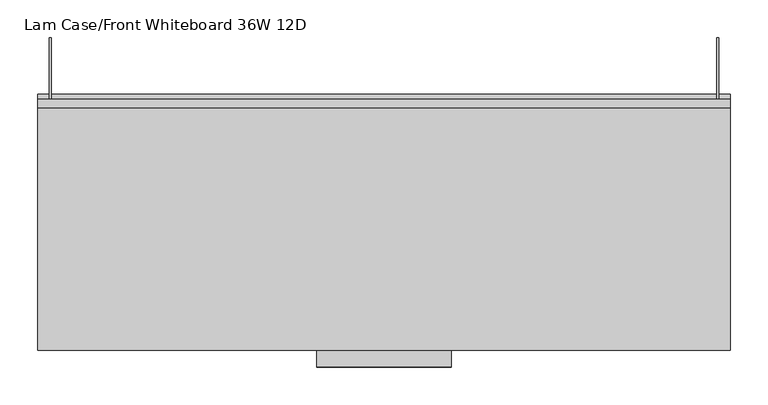
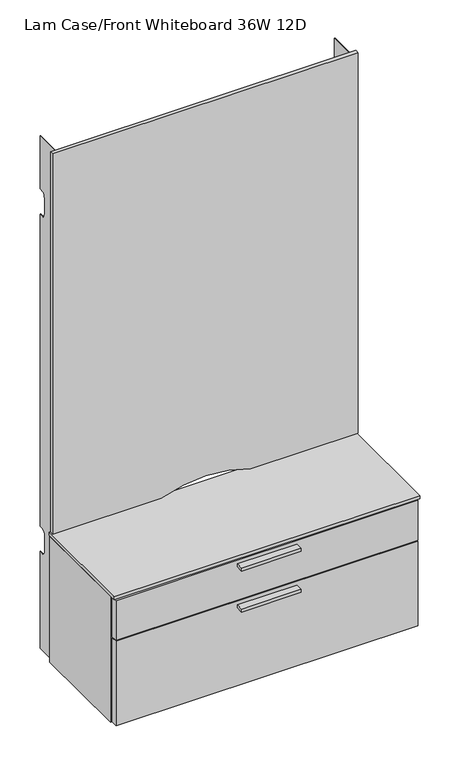
"""IFC4 building model written with IfcOpenShell, lengths in millimetres: furniture geometry, Lam Case/Front Whiteboard 36W 12D."""

import ifcopenshell
import ifcopenshell.guid

model = None  # the IFC model being written
_history = None  # IfcOwnerHistory: only IFC2X3 demands one
_inside = {}  # id of a spatial element -> (the spatial element, [elements in it])
_under = {}  # id of a project, library or spatial element -> (it, [spatial elements below it])
_declared = {}  # id of a project -> (the project, [libraries it declares])
_typed = {}  # id of a type object -> (the type object, [elements of that type])
_made_of = {}  # id of a material, layer set ... -> (it, [elements and type objects made of it])


def new_model(schema):
    """Start an empty IFC model of exactly this schema.

    Asked for "IFC4X3", IfcOpenShell would pick the latest addendum, in which some entities
    have other attributes; the version numbers below select the first issue.
    IFC2X3 requires an IfcOwnerHistory on every rooted entity: one is made here for all.
    """
    global model, _history
    if schema == "IFC4X3":
        model = ifcopenshell.file(schema_version=(4, 3, 0, 0))
    else:
        model = ifcopenshell.file(schema=schema)
    _inside.clear()
    _under.clear()
    _declared.clear()
    _typed.clear()
    _made_of.clear()
    _history = None
    if model.schema == "IFC2X3":
        org = make("IfcOrganization", Name="unknown")
        user = make(
            "IfcPersonAndOrganization",
            ThePerson=make("IfcPerson", FamilyName="unknown"),
            TheOrganization=org,
        )
        app = make(
            "IfcApplication",
            ApplicationDeveloper=org,
            Version="unknown",
            ApplicationFullName="unknown",
            ApplicationIdentifier="unknown",
        )
        _history = make(
            "IfcOwnerHistory",
            OwningUser=user,
            OwningApplication=app,
            ChangeAction="ADDED",
            CreationDate=0,
        )
    return model


def make(cls, **values):
    """One entity of the class cls with the attributes given. An attribute that is None is left unset."""
    return model.create_entity(
        cls, **{name: value for name, value in values.items() if value is not None}
    )


def rooted(cls, **values):
    """An entity with a GlobalId (a new one), such as an element, a storey or a relation."""
    return make(cls, GlobalId=ifcopenshell.guid.new(), OwnerHistory=_history, **values)


def si_unit(unit_type, name, prefix=None):
    """IfcSIUnit, for example si_unit("LENGTHUNIT", "METRE", prefix="MILLI")."""
    return make("IfcSIUnit", UnitType=unit_type, Prefix=prefix, Name=name)


def assignment(units):
    """IfcUnitAssignment: the units of a project."""
    return None if units is None else make("IfcUnitAssignment", Units=units)


def point(xyz):
    """IfcCartesianPoint."""
    return None if xyz is None else make("IfcCartesianPoint", Coordinates=xyz)


def direction(xyz):
    """IfcDirection."""
    return None if xyz is None else make("IfcDirection", DirectionRatios=xyz)


def frame(location, z_axis=None, x_axis=None):
    """IfcAxis2Placement3D, a coordinate frame: its origin and axes. An axis left out is left unset."""
    return make(
        "IfcAxis2Placement3D",
        Location=point(location),
        Axis=direction(z_axis),
        RefDirection=direction(x_axis),
    )


def frame_2d(location, x_axis=None):
    """IfcAxis2Placement2D, a coordinate frame in the plane: its origin and x axis."""
    return make(
        "IfcAxis2Placement2D", Location=point(location), RefDirection=direction(x_axis)
    )


def origin():
    """The frame at (0, 0, 0) with its axes left unset."""
    return frame((0.0, 0.0, 0.0))


def place(relative_to, where):
    """IfcLocalPlacement: puts the frame where relative to a parent placement (None: the world)."""
    return make(
        "IfcLocalPlacement", PlacementRelTo=relative_to, RelativePlacement=where
    )


def context(
    kind, dimensions, precision=None, world=None, true_north=None, identifier=None
):
    """IfcGeometricRepresentationContext, for example the 3D "Model" context."""
    return make(
        "IfcGeometricRepresentationContext",
        ContextIdentifier=identifier,
        ContextType=kind,
        CoordinateSpaceDimension=dimensions,
        Precision=precision,
        WorldCoordinateSystem=world,
        TrueNorth=true_north,
    )


def project(units=None, contexts=None):
    """IfcProject with its units and contexts."""
    return rooted(
        "IfcProject",
        Name="project",
        RepresentationContexts=contexts,
        UnitsInContext=assignment(units),
    )


def spatial(cls, under=None, at=None, **own):
    """A site, building, storey or space (cls), placed at a placement, below another one or the project."""
    s = rooted(cls, ObjectPlacement=at, **own)
    if under is not None:
        _under.setdefault(under.id(), (under, []))[1].append(s)
    return s


def polyline(points):
    """IfcPolyline through the points."""
    return make("IfcPolyline", Points=[point(p) for p in points])


def circle_curve(where, radius):
    """IfcCircle in the frame where."""
    return make("IfcCircle", Position=where, Radius=radius)


def trimmed(basis, trim1, trim2, sense, master):
    """IfcTrimmedCurve: the piece of a basis curve between two trims."""
    return make(
        "IfcTrimmedCurve",
        BasisCurve=basis,
        Trim1=trim1,
        Trim2=trim2,
        SenseAgreement=sense,
        MasterRepresentation=master,
    )


def segment(curve, same_sense, transition):
    """IfcCompositeCurveSegment."""
    return make(
        "IfcCompositeCurveSegment",
        Transition=transition,
        SameSense=same_sense,
        ParentCurve=curve,
    )


def composite_curve(segments, self_intersect=None):
    """IfcCompositeCurve: segments joined end to end."""
    return make("IfcCompositeCurve", Segments=segments, SelfIntersect=self_intersect)


def outline(outer, holes=None, kind="AREA"):
    """IfcArbitraryClosedProfileDef: a profile drawn as a closed curve; with holes, ...WithVoids."""
    if holes is None:
        return make("IfcArbitraryClosedProfileDef", ProfileType=kind, OuterCurve=outer)
    return make(
        "IfcArbitraryProfileDefWithVoids",
        ProfileType=kind,
        OuterCurve=outer,
        InnerCurves=holes,
    )


def extrude(swept, where, along, depth):
    """IfcExtrudedAreaSolid: the profile swept, set in the frame where, extruded along a direction by depth."""
    return make(
        "IfcExtrudedAreaSolid",
        SweptArea=swept,
        Position=where,
        ExtrudedDirection=direction(along),
        Depth=depth,
    )


def shape(context_of_items, identifier, shape_type, items):
    """IfcShapeRepresentation: the items that make up one representation, for example the "Body"."""
    return make(
        "IfcShapeRepresentation",
        ContextOfItems=context_of_items,
        RepresentationIdentifier=identifier,
        RepresentationType=shape_type,
        Items=items,
    )


def source(mapping_origin, context_of_items, identifier, shape_type, items):
    """IfcRepresentationMap: a shape defined once, which mapped items show again and again."""
    return make(
        "IfcRepresentationMap",
        MappingOrigin=mapping_origin,
        MappedRepresentation=shape(context_of_items, identifier, shape_type, items),
    )


def transform(
    local_origin,
    x_axis=None,
    y_axis=None,
    z_axis=None,
    scale=None,
    scale2=None,
    scale3=None,
    uniform=True,
):
    """IfcCartesianTransformationOperator3D, or its non-uniform kind. x_axis, y_axis, z_axis: its Axis1, 2, 3."""
    if uniform:
        return make(
            "IfcCartesianTransformationOperator3D",
            Axis1=direction(x_axis),
            Axis2=direction(y_axis),
            LocalOrigin=point(local_origin),
            Scale=scale,
            Axis3=direction(z_axis),
        )
    return make(
        "IfcCartesianTransformationOperator3DnonUniform",
        Axis1=direction(x_axis),
        Axis2=direction(y_axis),
        LocalOrigin=point(local_origin),
        Scale=scale,
        Axis3=direction(z_axis),
        Scale2=scale2,
        Scale3=scale3,
    )


def mapped(mapping_source, mapping_target):
    """IfcMappedItem: shows the shape of a source again, moved by a transform."""
    return make(
        "IfcMappedItem", MappingSource=mapping_source, MappingTarget=mapping_target
    )


def made_of(thing, what):
    """Note that an element or type object is made of a material, layer set ...; save() writes the relation."""
    if what is not None:
        _made_of.setdefault(what.id(), (what, []))[1].append(thing)
    return thing


def element(
    cls,
    number,
    at=None,
    inside=None,
    cuts=None,
    type_object=None,
    material=None,
    context=None,
    identifier="Body",
    shape_type=None,
    held_by="IfcProductDefinitionShape",
    body=None,
    shapes=None,
    **own,
):
    """One element of the class cls, such as IfcWall. Its Tag is "e" and its number.

    at: its placement. inside: the storey or other place that contains it. cuts: it is an
    opening in that element (IfcRelVoidsElement). A single representation is given by context,
    identifier, shape_type and body (its items); several are given by shapes. held_by: the class
    of the entity that holds the representations. save() writes the other relations.
    """
    e = rooted(cls, Tag="e%d" % number, ObjectPlacement=at, **own)
    if body is not None:
        shapes = [shape(context, identifier, shape_type, body)]
    if shapes is not None:
        e.Representation = make(held_by, Representations=shapes)
    if inside is not None:
        _inside.setdefault(inside.id(), (inside, []))[1].append(e)
    if cuts is not None:
        rooted(
            "IfcRelVoidsElement", RelatingBuildingElement=cuts, RelatedOpeningElement=e
        )
    if type_object is not None:
        _typed.setdefault(type_object.id(), (type_object, []))[1].append(e)
    return made_of(e, material)


def aggregate(whole, parts):
    """IfcRelAggregates: a whole, such as a stair, and the parts it consists of."""
    return rooted("IfcRelAggregates", RelatingObject=whole, RelatedObjects=parts)


def save(model, path):
    """Write the relations noted so far, then the file.

    IfcRelAggregates (storeys below a building ...), IfcRelContainedInSpatialStructure (elements
    in a storey), IfcRelDefinesByType, IfcRelAssociatesMaterial and IfcRelDeclares: one each for
    every whole, place, type object, material and project.
    """
    for whole, parts in _under.values():
        aggregate(whole, parts)
    for where, things in _inside.values():
        rooted(
            "IfcRelContainedInSpatialStructure",
            RelatedElements=things,
            RelatingStructure=where,
        )
    for kind, things in _typed.values():
        rooted("IfcRelDefinesByType", RelatedObjects=things, RelatingType=kind)
    for what, things in _made_of.values():
        rooted("IfcRelAssociatesMaterial", RelatedObjects=things, RelatingMaterial=what)
    for by, libraries in _declared.values():
        rooted("IfcRelDeclares", RelatingContext=by, RelatedDefinitions=libraries)
    model.write(path)


def lam_case_front_whiteboard_36w_12d_4e759bc5(model_context):
    return source(origin(), model_context, "Body", "SweptSolid", [
        extrude(outline(polyline([(546.1, -435.6899879), (368.3, -435.6899879), (368.3, -413.4649879), (546.1, -413.4649879), (546.1, -435.6899879)])), frame((0.0, 0.0, 749.5158821), z_axis=(0.0, 0.0, 1.0), x_axis=(1.0, 0.0, 0.0)), (0.0, 0.0, 1.0), 9.525),
        extrude(outline(polyline([(546.1, -435.6899879), (368.3, -435.6899879), (368.3, -413.4649879), (546.1, -413.4649879), (546.1, -435.6899879)])), frame((0.0, 0.0, 879.1093489), z_axis=(0.0, 0.0, 1.0), x_axis=(1.0, 0.0, 0.0)), (0.0, 0.0, 1.0), 9.525),
        extrude(outline(polyline([(892.9300169, -95.5000029), (21.4600137, -95.5000029), (21.4600137, -82.0420035), (892.9300169, -82.0420035), (892.9300169, -95.5000029)])), frame((0.0, 0.0, 495.8619933), z_axis=(0.0, 0.0, 1.0), x_axis=(1.0, 0.0, 0.0)), (0.0, 0.0, 1.0), 384.0830604),
        extrude(outline(polyline([(892.9300169, -390.3500107), (892.9300169, -75.4399992), (912.2300016, -75.4399992), (912.2300016, -390.3500107), (892.9300169, -390.3500107)])), frame((0.0, 0.0, 501.1729337), z_axis=(0.0, 0.0, 1.0), x_axis=(1.0, 0.0, 0.0)), (0.0, 0.0, 1.0), 398.6000522),
        extrude(outline(composite_curve([segment(polyline([(917.0225143, 592.5474798), (917.0225143, 914.4), (2120.1637562, 914.4), (2120.1637562, 0.0), (917.4139875, 0.0), (917.4139875, 324.1467842)]), True, "CONTINUOUS"), segment(trimmed(circle_curve(frame_2d((564.2449091, 457.8323062)), 377.6244388), [point((917.4139875, 324.1467842))], [point((917.0225143, 592.5474798))], True, "CARTESIAN"), True, "CONTINUOUS")], self_intersect=False)), frame((0.0, -93.2219988, 0.0), z_axis=(0.0, 1.0, 0.0), x_axis=(0.0, 0.0, 1.0)), (0.0, 0.0, 1.0), 11.1799953),
        extrude(outline(polyline([(914.4, -75.4399992), (914.4, -413.4649879), (0.0, -413.4649879), (0.0, -75.4399992), (914.4, -75.4399992)])), frame((0.0, 0.0, 903.3249493), z_axis=(0.0, 0.0, 1.0), x_axis=(1.0, 0.0, 0.0)), (0.0, 0.0, 1.0), 9.779999),
        extrude(outline(polyline([(892.7045929, -76.1698229), (892.7045929, -388.830009), (21.4600137, -388.830009), (21.4600137, -76.1698229), (892.7045929, -76.1698229)])), frame((0.0, 0.0, 880.4689316), z_axis=(0.0, 0.0, 1.0), x_axis=(1.0, 0.0, 0.0)), (0.0, 0.0, 1.0), 18.8936142),
        extrude(outline(polyline([(892.7045929, -93.2219988), (892.7045929, -388.830009), (21.4600137, -388.830009), (21.4600137, -93.2219988), (892.7045929, -93.2219988)])), frame((0.0, 0.0, 502.6969322), z_axis=(0.0, 0.0, 1.0), x_axis=(1.0, 0.0, 0.0)), (0.0, 0.0, 1.0), 19.3000211),
        extrude(outline(polyline([(909.0549774, -393.5249986), (909.0549774, -413.4649879), (5.3350191, -413.4649879), (5.3350191, -393.5249986), (909.0549774, -393.5249986)])), frame((0.0, 0.0, 773.4029377), z_axis=(0.0, 0.0, 1.0), x_axis=(1.0, 0.0, 0.0)), (0.0, 0.0, 1.0), 126.3699755),
        extrude(outline(polyline([(909.0549774, -393.5249986), (909.0549774, -413.4649879), (5.3350191, -413.4649879), (5.3350191, -393.5249986), (909.0549774, -393.5249986)])), frame((0.0, 0.0, 504.3479579), z_axis=(0.0, 0.0, 1.0), x_axis=(1.0, 0.0, 0.0)), (0.0, 0.0, 1.0), 265.8800282),
        extrude(outline(polyline([(21.4600137, -75.4399992), (21.4600137, -390.3500107), (2.16, -390.3500107), (2.16, -75.4399992), (21.4600137, -75.4399992)])), frame((0.0, 0.0, 501.1729337), z_axis=(0.0, 0.0, 1.0), x_axis=(1.0, 0.0, 0.0)), (0.0, 0.0, 1.0), 398.6000522),
        extrude(outline(polyline([(-82.0420035, 2115.3437016), (-1.1635008, 2115.3437016), (-1.1635008, 1948.1194611), (-15.0883743, 1948.1194611), (-17.5316833, 1947.4556934), (-19.811268, 1945.8602966), (-22.9458037, 1941.2447353), (-25.3790014, 1928.1779457), (-25.3790014, 1888.1780617), (-22.98629, 1875.0707222), (-19.8473123, 1870.4596664), (-17.5501313, 1868.8818558), (-14.3790006, 1868.1779743), (-1.2525981, 1868.1779743), (-1.2525981, 881.3780331), (-14.3790006, 881.3780331), (-18.7812505, 879.9450537), (-22.3106158, 875.7991585), (-24.5908977, 869.3820356), (-25.3790014, 861.3780184), (-25.3790014, 821.377989), (-24.6125102, 813.2172953), (-22.3784465, 806.8336006), (-18.8674314, 802.7715666), (-14.3790006, 801.3779743), (-1.2477478, 801.3779743), (-1.2477478, 495.8619933), (-82.0420035, 495.8619933), (-82.0420035, 2115.3437016)])), frame((896.6200145, 0.0, 0.0), z_axis=(1.0, 0.0, 0.0), x_axis=(0.0, 1.0, 0.0)), (0.0, 0.0, 1.0), 2.54),
        extrude(outline(polyline([(-82.0420035, 2115.3437016), (-1.1635008, 2115.3437016), (-1.1635008, 1948.1194611), (-15.0883743, 1948.1194611), (-17.5316833, 1947.4556934), (-19.811268, 1945.8602966), (-22.9458037, 1941.2447353), (-25.3790014, 1928.1779457), (-25.3790014, 1888.1780617), (-22.98629, 1875.0707222), (-19.8473123, 1870.4596664), (-17.5501313, 1868.8818558), (-14.3790006, 1868.1779743), (-1.2525981, 1868.1779743), (-1.2525981, 881.3780331), (-14.3790006, 881.3780331), (-18.7812505, 879.9450537), (-22.3106158, 875.7991585), (-24.5908977, 869.3820356), (-25.3790014, 861.3780184), (-25.3790014, 821.377989), (-24.6125102, 813.2172953), (-22.3784465, 806.8336006), (-18.8674314, 802.7715666), (-14.3790006, 801.3779743), (-1.2477478, 801.3779743), (-1.2477478, 495.8619933), (-82.0420035, 495.8619933), (-82.0420035, 2115.3437016)])), frame((15.2400002, 0.0, 0.0), z_axis=(1.0, 0.0, 0.0), x_axis=(0.0, 1.0, 0.0)), (0.0, 0.0, 1.0), 2.54),
    ])


if __name__ == "__main__":
    model = new_model("IFC4")
    model_context = context("Model", 3, world=origin())
    ifc_project = project(units=[si_unit("LENGTHUNIT", "METRE", prefix="MILLI")], contexts=[model_context])
    site = spatial("IfcSite", under=ifc_project)
    building = spatial("IfcBuilding", under=site)
    placement = place(None, origin())
    lam_case_front_whiteboard_36w_12d_shape = lam_case_front_whiteboard_36w_12d_4e759bc5(model_context)
    element("IfcFurniture", 1, ObjectType="Lam Case/Front Whiteboard 36W 12D", at=placement, inside=building, context=model_context, shape_type="MappedRepresentation", body=[
        mapped(lam_case_front_whiteboard_36w_12d_shape, transform((0.0, 0.0, 0.0), x_axis=(1.0, 0.0, 0.0), y_axis=(0.0, 1.0, 0.0), z_axis=(0.0, 0.0, 1.0))),
    ])
    save(model, "model.ifc")
